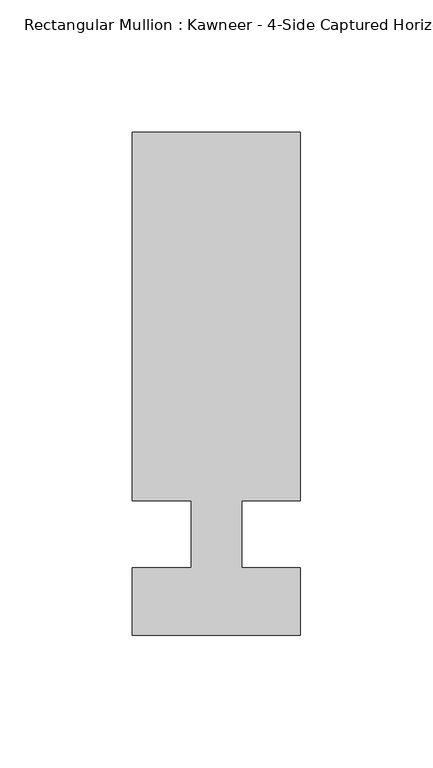
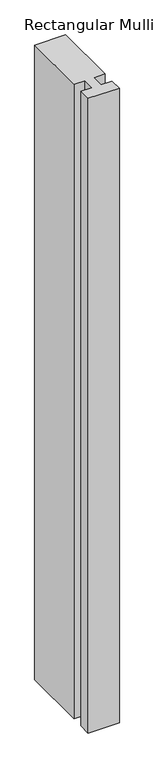
"""IFC4 building model written with IfcOpenShell, lengths in millimetres: member geometry."""

from ifc_helpers import new_model, si_unit, frame, origin, place, context, project, spatial, polyline, outline, extrude, source, transform, mapped, element, save


def member_9504bcf2(model_context):
    return source(origin(), model_context, "Body", "SweptSolid", [
        extrude(outline(polyline([(-9.525, -12.7), (-9.525, 12.7), (-31.75, 12.7), (-31.75, 151.892), (31.75, 151.892), (31.75, 12.7), (9.5251132, 12.7), (9.5251132, -12.7), (31.75, -12.7), (31.75, -38.1), (-31.75, -38.1), (-31.75, -12.7), (-9.525, -12.7)])), frame((0.0, 0.0, -1373.6931847), z_axis=(0.0, 0.0, 1.0), x_axis=(1.0, 0.0, 0.0)), (0.0, 0.0, 1.0), 1373.6931847),
    ])


if __name__ == "__main__":
    model = new_model("IFC4")
    model_context = context("Model", 3, world=origin())
    ifc_project = project(units=[si_unit("LENGTHUNIT", "METRE", prefix="MILLI")], contexts=[model_context])
    site = spatial("IfcSite", under=ifc_project)
    building = spatial("IfcBuilding", under=site)
    placement = place(None, origin())
    member_shape = member_9504bcf2(model_context)
    element("IfcMember", 1, ObjectType="Rectangular Mullion : Kawneer - 4-Side Captured Horizontal Mullion - 7 1/2\"", at=placement, inside=building, context=model_context, shape_type="MappedRepresentation", body=[
        mapped(member_shape, transform((0.0, 0.0, 0.0), x_axis=(1.0, 0.0, 0.0), y_axis=(0.0, 1.0, 0.0), z_axis=(0.0, 0.0, 1.0))),
    ])
    save(model, "model.ifc")
